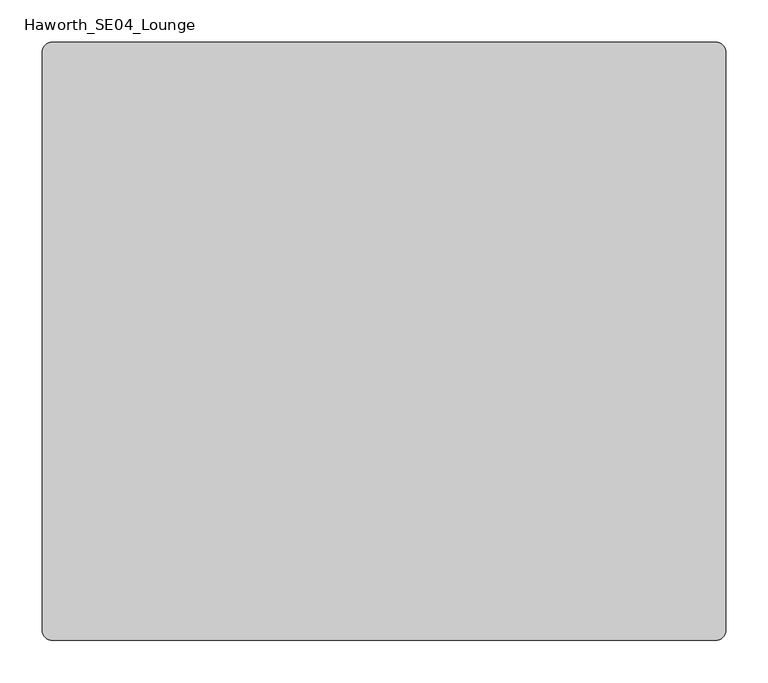
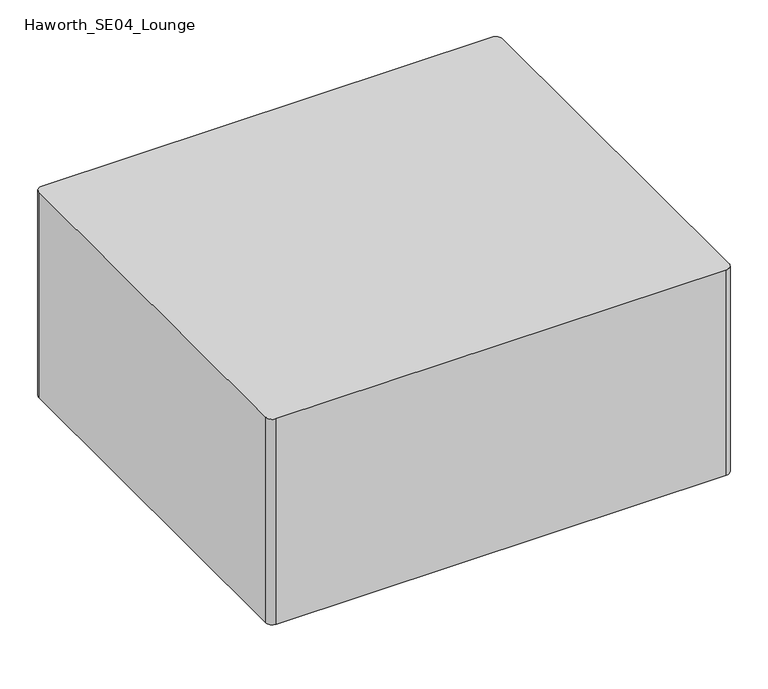
"""IFC4 building model written with IfcOpenShell, lengths in millimetres: furniture geometry, Haworth_SE04_Lounge."""

from ifc_helpers import new_model, si_unit, point, frame, frame_2d, origin, origin_with_axes, place, context, project, spatial, polyline, circle_curve, trimmed, segment, composite_curve, outline, extrude, source, transform, mapped, element, save


def haworth_se04_lounge_b837c1c8(model_context):
    return source(origin(), model_context, "Body", "SweptSolid", [
        extrude(outline(composite_curve([segment(trimmed(circle_curve(frame_2d((-304.8, 254.0)), 34.925), [point((-339.725, 254.0))], [point((-269.875, 254.0))], False, "CARTESIAN"), True, "CONTINUOUS"), segment(trimmed(circle_curve(frame_2d((-304.8, 254.0)), 34.925), [point((-269.875, 254.0))], [point((-339.725, 254.0))], False, "CARTESIAN"), True, "CONTINUOUS")], self_intersect=False)), origin_with_axes(), (0.0, 0.0, 1.0), 50.8),
        extrude(outline(composite_curve([segment(trimmed(circle_curve(frame_2d((304.8, 254.0)), 38.1), [point((266.7, 254.0))], [point((342.9, 254.0))], False, "CARTESIAN"), True, "CONTINUOUS"), segment(trimmed(circle_curve(frame_2d((304.8, 254.0)), 38.1), [point((342.9, 254.0))], [point((266.7, 254.0))], False, "CARTESIAN"), True, "CONTINUOUS")], self_intersect=False)), origin_with_axes(), (0.0, 0.0, 1.0), 50.8),
        extrude(outline(composite_curve([segment(trimmed(circle_curve(frame_2d((304.8, -254.0)), 38.1), [point((266.7, -254.0))], [point((342.9, -254.0))], False, "CARTESIAN"), True, "CONTINUOUS"), segment(trimmed(circle_curve(frame_2d((304.8, -254.0)), 38.1), [point((342.9, -254.0))], [point((266.7, -254.0))], False, "CARTESIAN"), True, "CONTINUOUS")], self_intersect=False)), origin_with_axes(), (0.0, 0.0, 1.0), 50.8),
        extrude(outline(composite_curve([segment(trimmed(circle_curve(frame_2d((-304.8, -254.0)), 38.1), [point((-342.9, -254.0))], [point((-266.7, -254.0))], False, "CARTESIAN"), True, "CONTINUOUS"), segment(trimmed(circle_curve(frame_2d((-304.8, -254.0)), 38.1), [point((-266.7, -254.0))], [point((-342.9, -254.0))], False, "CARTESIAN"), True, "CONTINUOUS")], self_intersect=False)), origin_with_axes(), (0.0, 0.0, 1.0), 50.8),
        extrude(outline(composite_curve([segment(trimmed(circle_curve(frame_2d((393.7, 342.9)), 12.7), [point((393.7, 355.6))], [point((406.4, 342.9))], False, "CARTESIAN"), True, "CONTINUOUS"), segment(polyline([(406.4, 342.9), (406.4, -342.9)]), True, "CONTINUOUS"), segment(trimmed(circle_curve(frame_2d((393.7, -342.9)), 12.7), [point((406.4, -342.9))], [point((393.7, -355.6))], False, "CARTESIAN"), True, "CONTINUOUS"), segment(polyline([(393.7, -355.6), (-393.7, -355.6)]), True, "CONTINUOUS"), segment(trimmed(circle_curve(frame_2d((-393.7, -342.9)), 12.7), [point((-393.7, -355.6))], [point((-406.4, -342.9))], False, "CARTESIAN"), True, "CONTINUOUS"), segment(polyline([(-406.4, -342.9), (-406.4, 342.9)]), True, "CONTINUOUS"), segment(trimmed(circle_curve(frame_2d((-393.7, 342.9)), 12.7), [point((-406.4, 342.9))], [point((-393.7, 355.6))], False, "CARTESIAN"), True, "CONTINUOUS"), segment(polyline([(-393.7, 355.6), (393.7, 355.6)]), True, "CONTINUOUS")], self_intersect=False)), frame((0.0, 0.0, 50.8), z_axis=(0.0, 0.0, 1.0), x_axis=(1.0, 0.0, 0.0)), (0.0, 0.0, 1.0), 381.0),
    ])


if __name__ == "__main__":
    model = new_model("IFC4")
    model_context = context("Model", 3, world=origin())
    ifc_project = project(units=[si_unit("LENGTHUNIT", "METRE", prefix="MILLI")], contexts=[model_context])
    site = spatial("IfcSite", under=ifc_project)
    building = spatial("IfcBuilding", under=site)
    placement = place(None, origin())
    haworth_se04_lounge_shape = haworth_se04_lounge_b837c1c8(model_context)
    element("IfcFurniture", 1, ObjectType="Haworth_SE04_Lounge", at=placement, inside=building, context=model_context, shape_type="MappedRepresentation", body=[
        mapped(haworth_se04_lounge_shape, transform((0.0, 0.0, 0.0), x_axis=(1.0, 0.0, 0.0), y_axis=(0.0, 1.0, 0.0), z_axis=(0.0, 0.0, 1.0))),
    ])
    save(model, "model.ifc")
